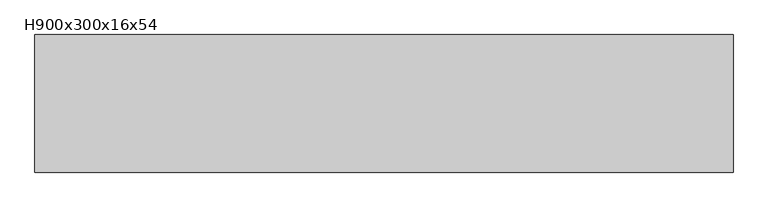
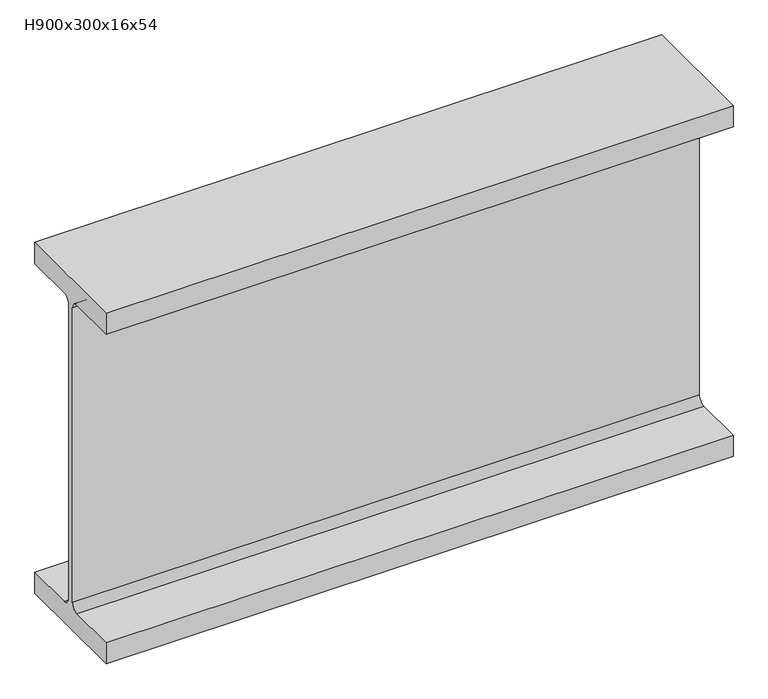
"""IFC4 building model written with IfcOpenShell, lengths in millimetres: beam geometry, H900x300x16x54."""

from ifc_helpers import new_model, si_unit, point, frame, frame_2d, origin, place, context, project, spatial, polyline, circle_curve, trimmed, segment, composite_curve, outline, extrude, source, transform, mapped, element, save


def h900x300x16x54_bd5c8821(model_context):
    return source(origin(), model_context, "Body", "SweptSolid", [
        extrude(outline(composite_curve([segment(polyline([(150.0, -396.0), (150.0, -450.0), (-150.0, -450.0), (-150.0, -396.0), (-26.0, -396.0)]), True, "CONTINUOUS"), segment(trimmed(circle_curve(frame_2d((-26.0, -378.0)), 18.0), [point((-26.0, -396.0))], [point((-8.0, -378.0))], True, "CARTESIAN"), True, "CONTINUOUS"), segment(polyline([(-8.0, -378.0), (-8.0, 378.0)]), True, "CONTINUOUS"), segment(trimmed(circle_curve(frame_2d((-26.0, 378.0)), 18.0), [point((-8.0, 378.0))], [point((-26.0, 396.0))], True, "CARTESIAN"), True, "CONTINUOUS"), segment(polyline([(-26.0, 396.0), (-150.0, 396.0), (-150.0, 450.0), (150.0, 450.0), (150.0, 396.0), (26.0, 396.0)]), True, "CONTINUOUS"), segment(trimmed(circle_curve(frame_2d((26.0, 378.0)), 18.0), [point((26.0, 396.0))], [point((8.0, 378.0))], True, "CARTESIAN"), True, "CONTINUOUS"), segment(polyline([(8.0, 378.0), (8.0, -378.0)]), True, "CONTINUOUS"), segment(trimmed(circle_curve(frame_2d((26.0, -378.0)), 18.0), [point((8.0, -378.0))], [point((26.0, -396.0))], True, "CARTESIAN"), True, "CONTINUOUS"), segment(polyline([(26.0, -396.0), (150.0, -396.0)]), True, "CONTINUOUS")], self_intersect=False)), frame((-164.8084072, 0.0, 0.0), z_axis=(1.0, 0.0, 0.0), x_axis=(0.0, 1.0, 0.0)), (0.0, 0.0, 1.0), 1522.1106984),
    ])


if __name__ == "__main__":
    model = new_model("IFC4")
    model_context = context("Model", 3, world=origin())
    ifc_project = project(units=[si_unit("LENGTHUNIT", "METRE", prefix="MILLI")], contexts=[model_context])
    site = spatial("IfcSite", under=ifc_project)
    building = spatial("IfcBuilding", under=site)
    placement = place(None, origin())
    h900x300x16x54_shape = h900x300x16x54_bd5c8821(model_context)
    element("IfcBeam", 1, ObjectType="H900x300x16x54", at=placement, inside=building, context=model_context, shape_type="MappedRepresentation", body=[
        mapped(h900x300x16x54_shape, transform((0.0, 0.0, 0.0), x_axis=(1.0, 0.0, 0.0), y_axis=(0.0, 1.0, 0.0), z_axis=(0.0, 0.0, 1.0))),
    ])
    save(model, "model.ifc")
